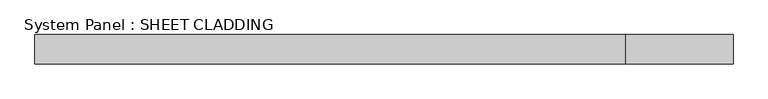
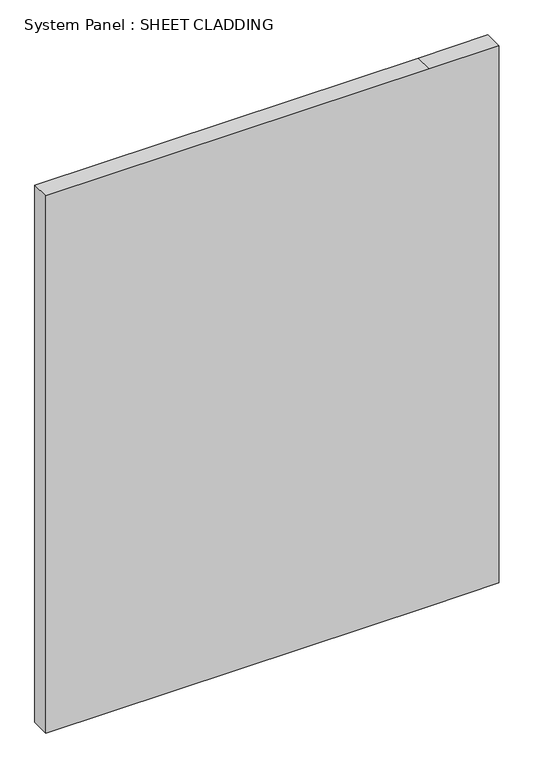
"""IFC4 building model written with IfcOpenShell, lengths in millimetres: plate geometry, System Panel : SHEET CLADDING."""

from ifc_helpers import new_model, si_unit, frame, origin, place, context, project, spatial, polyline, outline, extrude, source, transform, mapped, element, save


def system_panel_sheet_cladding_b5b007de(model_context):
    return source(origin(), model_context, "Body", "SweptSolid", [
        extrude(outline(polyline([(0.0, -718.75), (0.0, 497.5961538), (0.0, 718.75), (1800.0, 718.75), (1800.0, 497.5961538), (1800.0, -718.75), (0.0, -718.75)])), frame((0.0, -49.5, 0.0), z_axis=(0.0, 1.0, 0.0), x_axis=(0.0, 0.0, 1.0)), (0.0, 0.0, 1.0), 60.0),
    ])


if __name__ == "__main__":
    model = new_model("IFC4")
    model_context = context("Model", 3, world=origin())
    ifc_project = project(units=[si_unit("LENGTHUNIT", "METRE", prefix="MILLI")], contexts=[model_context])
    site = spatial("IfcSite", under=ifc_project)
    building = spatial("IfcBuilding", under=site)
    placement = place(None, origin())
    system_panel_sheet_cladding_shape = system_panel_sheet_cladding_b5b007de(model_context)
    element("IfcPlate", 1, ObjectType="System Panel : SHEET CLADDING", at=placement, inside=building, context=model_context, shape_type="MappedRepresentation", body=[
        mapped(system_panel_sheet_cladding_shape, transform((0.0, 0.0, 0.0), x_axis=(1.0, 0.0, 0.0), y_axis=(0.0, 1.0, 0.0), z_axis=(0.0, 0.0, 1.0))),
    ])
    save(model, "model.ifc")
